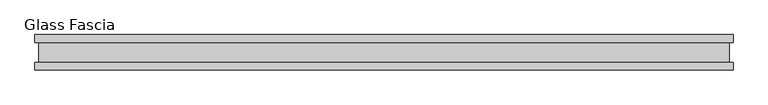
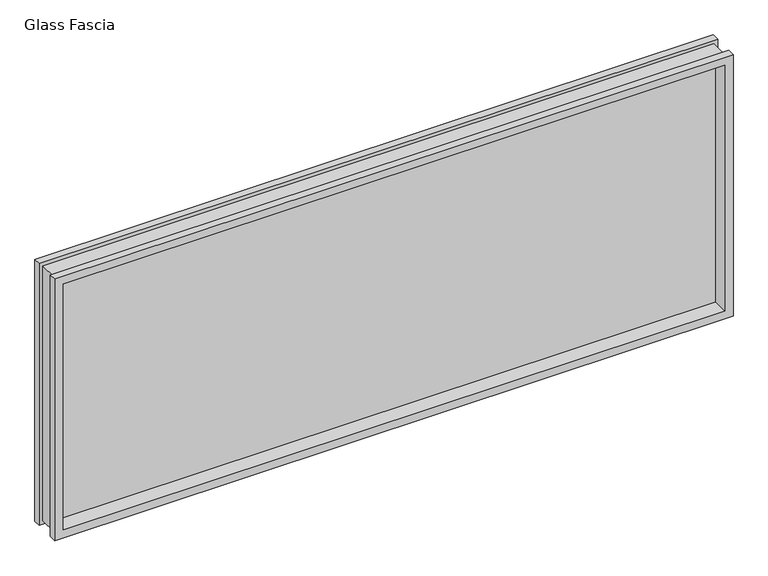
"""IFC4 building model written with IfcOpenShell, lengths in millimetres: proxy geometry, Glass Fascia."""

from ifc_helpers import new_model, si_unit, frame, origin, place, context, project, spatial, polyline, outline, extrude, faceted_brep, source, transform, mapped, element, save


def glass_fascia_a5cf5054(model_context):
    return source(origin(), model_context, "Body", "SolidModel", [
        faceted_brep([(978.7046, -5.0827449, 799.4805243), (978.7046, 5.0827449, 799.4805243), (978.7046, 5.0827449, 17.6374757), (978.7046, -5.0827449, 17.6374757), (993.1670757, -28.8801202, 813.943), (993.1670757, -50.0558594, 813.943), (993.1670757, -50.0558594, 3.175), (993.1670757, -28.8801202, 3.175), (982.3420758, 28.2698798, 803.1180001), (982.3420758, -28.8801202, 803.1180001), (982.3420758, -28.8801202, 13.9999999), (982.3420758, 28.2698798, 13.9999999), (993.1670757, 50.0558594, 813.943), (993.1670757, 28.2698798, 813.943), (993.1670757, 28.2698798, 3.175), (993.1670757, 50.0558594, 3.175), (-978.7046, 5.0827449, 17.6374757), (-978.7046, -5.0827449, 17.6374757), (-993.1670757, -50.0558594, 3.175), (-993.1670757, -28.8801202, 3.175), (-982.3420758, -28.8801202, 13.9999999), (-982.3420758, 28.2698798, 13.9999999), (-993.1670757, 28.2698798, 3.175), (-993.1670757, 50.0558594, 3.175), (-978.7046, 5.0827449, 799.4805243), (-978.7046, -5.0827449, 799.4805243), (-993.1670757, -50.0558594, 813.943), (-993.1670757, -28.8801202, 813.943), (-982.3420758, -28.8801202, 803.1180001), (-982.3420758, 28.2698798, 803.1180001), (-993.1670757, 28.2698798, 813.943), (-993.1670757, 50.0558594, 813.943), (968.2144089, 50.0558594, 788.9903332), (-968.2144089, 50.0558594, 788.9903332), (-968.2144089, 50.0558594, 28.1276668), (968.2144089, 50.0558594, 28.1276668), (968.2144089, 5.0827449, 28.1276668), (-968.2144089, 5.0827449, 28.1276668), (-968.2144089, 5.0827449, 788.9903332), (968.2144089, 5.0827449, 788.9903332), (968.2144089, -5.0827449, 788.9903332), (-968.2144089, -5.0827449, 788.9903332), (-968.2144089, -5.0827449, 28.1276668), (968.2144089, -5.0827449, 28.1276668), (968.2144089, -50.0558594, 28.1276668), (-968.2144089, -50.0558594, 28.1276668), (-968.2144089, -50.0558594, 788.9903332), (968.2144089, -50.0558594, 788.9903332)], [[[0, 1, 2, 3]], [[4, 5, 6, 7]], [[8, 9, 10, 11]], [[12, 13, 14, 15]], [[3, 2, 16, 17]], [[7, 6, 18, 19]], [[11, 10, 20, 21]], [[15, 14, 22, 23]], [[17, 16, 24, 25]], [[19, 18, 26, 27]], [[21, 20, 28, 29]], [[23, 22, 30, 31]], [[15, 23, 31, 12], [32, 33, 34, 35]], [[1, 24, 16, 2], [36, 37, 38, 39]], [[25, 24, 1, 0]], [[3, 17, 25, 0], [40, 41, 42, 43]], [[5, 26, 18, 6], [44, 45, 46, 47]], [[27, 26, 5, 4]], [[7, 19, 27, 4], [9, 28, 20, 10]], [[29, 28, 9, 8]], [[13, 30, 22, 14], [11, 21, 29, 8]], [[31, 30, 13, 12]], [[39, 32, 35, 36]], [[47, 40, 43, 44]], [[36, 35, 34, 37]], [[44, 43, 42, 45]], [[37, 34, 33, 38]], [[45, 42, 41, 46]], [[38, 33, 32, 39]], [[46, 41, 40, 47]]]),
        extrude(outline(polyline([(978.7046, 2.9765625), (978.7046, -2.9765625), (-978.7046, -2.9765625), (-978.7046, 2.9765625), (978.7046, 2.9765625)])), frame((0.0, 0.0, 17.6374757), z_axis=(0.0, 0.0, 1.0), x_axis=(1.0, 0.0, 0.0)), (0.0, 0.0, 1.0), 781.8430485),
    ])


if __name__ == "__main__":
    model = new_model("IFC4")
    model_context = context("Model", 3, world=origin())
    ifc_project = project(units=[si_unit("LENGTHUNIT", "METRE", prefix="MILLI")], contexts=[model_context])
    site = spatial("IfcSite", under=ifc_project)
    building = spatial("IfcBuilding", under=site)
    placement = place(None, origin())
    glass_fascia_shape = glass_fascia_a5cf5054(model_context)
    element("IfcBuildingElementProxy", 1, Name="Glass Fascia", ObjectType="Glass Fascia", at=placement, inside=building, context=model_context, shape_type="MappedRepresentation", body=[
        mapped(glass_fascia_shape, transform((0.0, 0.0, 0.0), x_axis=(1.0, 0.0, 0.0), y_axis=(0.0, 1.0, 0.0), z_axis=(0.0, 0.0, 1.0))),
    ])
    save(model, "model.ifc")
